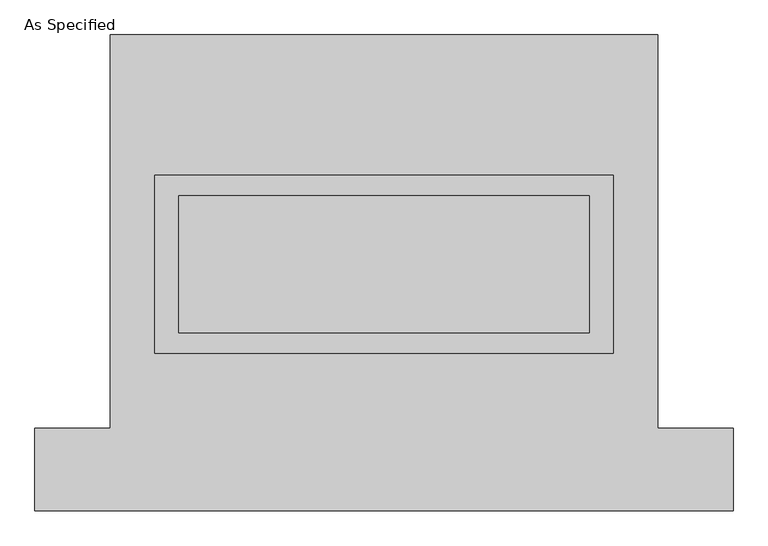
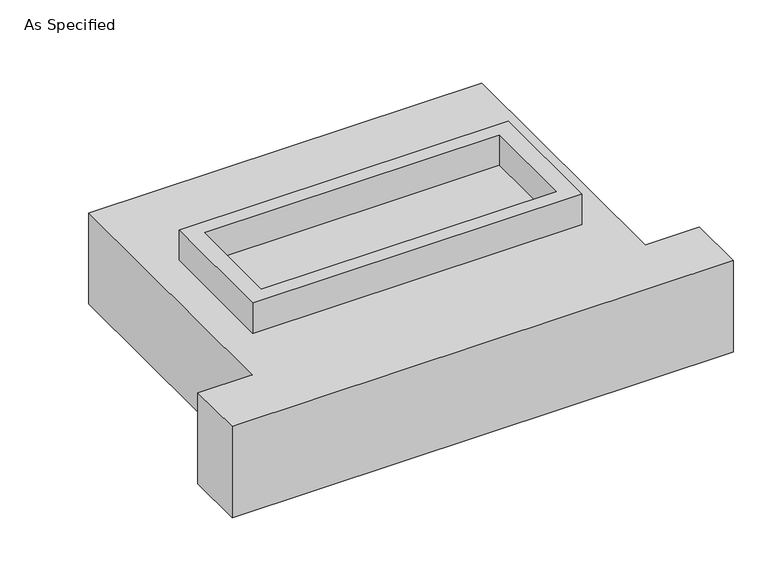
"""IFC4 building model written with IfcOpenShell, lengths in millimetres: proxy geometry, As Specified."""

from ifc_helpers import new_model, si_unit, frame, origin, place, context, project, spatial, polyline, outline, extrude, source, transform, mapped, element, save


def as_specified_36fe1187(model_context):
    return source(origin(), model_context, "Body", "SweptSolid", [
        extrude(outline(polyline([(850.9, 361.95), (850.9, -298.45), (-850.9, -298.45), (-850.9, 361.95), (850.9, 361.95)]), holes=[polyline([(762.0, 285.75), (-762.0, 285.75), (-762.0, -222.25), (762.0, -222.25), (762.0, 285.75)])]), frame((0.0, 0.0, -688.975), z_axis=(0.0, 0.0, 1.0), x_axis=(1.0, 0.0, 0.0)), (0.0, 0.0, 1.0), 165.1),
        extrude(outline(polyline([(850.9, 361.95), (850.9, -298.45), (-850.9, -298.45), (-850.9, 361.95), (850.9, 361.95)]), holes=[polyline([(762.0, 285.75), (-762.0, 285.75), (-762.0, -222.25), (762.0, -222.25), (762.0, 285.75)])]), frame((0.0, 0.0, -25.4), z_axis=(0.0, 0.0, 1.0), x_axis=(1.0, 0.0, 0.0)), (0.0, 0.0, 1.0), 165.1),
        extrude(outline(polyline([(762.0, 285.75), (762.0, -222.25), (-762.0, -222.25), (-762.0, 285.75), (762.0, 285.75)])), frame((0.0, 0.0, -523.875), z_axis=(0.0, 0.0, 1.0), x_axis=(1.0, 0.0, 0.0)), (0.0, 0.0, 1.0), 4.9609375),
        extrude(outline(polyline([(762.0, 285.75), (762.0, -222.25), (-762.0, -222.25), (-762.0, 285.75), (762.0, 285.75)])), frame((0.0, 0.0, -30.3609375), z_axis=(0.0, 0.0, 1.0), x_axis=(1.0, 0.0, 0.0)), (0.0, 0.0, 1.0), 4.9609375),
        extrude(outline(polyline([(-1016.0, 882.65), (1016.0, 882.65), (1016.0, -577.85), (1295.4, -577.85), (1295.4, -882.65), (-1295.4, -882.65), (-1295.4, -577.85), (-1016.0, -577.85), (-1016.0, 882.65)]), holes=[polyline([(-850.9, 361.95), (-850.9, -298.45), (850.9, -298.45), (850.9, 361.95), (-850.9, 361.95)])]), frame((0.0, 0.0, -523.875), z_axis=(0.0, 0.0, 1.0), x_axis=(1.0, 0.0, 0.0)), (0.0, 0.0, 1.0), 498.475),
    ])


if __name__ == "__main__":
    model = new_model("IFC4")
    model_context = context("Model", 3, world=origin())
    ifc_project = project(units=[si_unit("LENGTHUNIT", "METRE", prefix="MILLI")], contexts=[model_context])
    site = spatial("IfcSite", under=ifc_project)
    building = spatial("IfcBuilding", under=site)
    placement = place(None, origin())
    as_specified_shape = as_specified_36fe1187(model_context)
    element("IfcBuildingElementProxy", 1, Name="As Specified", ObjectType="As Specified", at=placement, inside=building, context=model_context, shape_type="MappedRepresentation", body=[
        mapped(as_specified_shape, transform((0.0, 0.0, 0.0), x_axis=(1.0, 0.0, 0.0), y_axis=(0.0, 1.0, 0.0), z_axis=(0.0, 0.0, 1.0))),
    ])
    save(model, "model.ifc")
